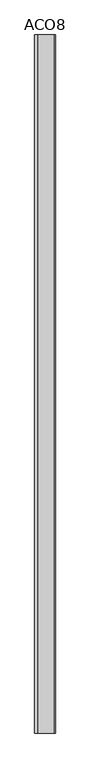
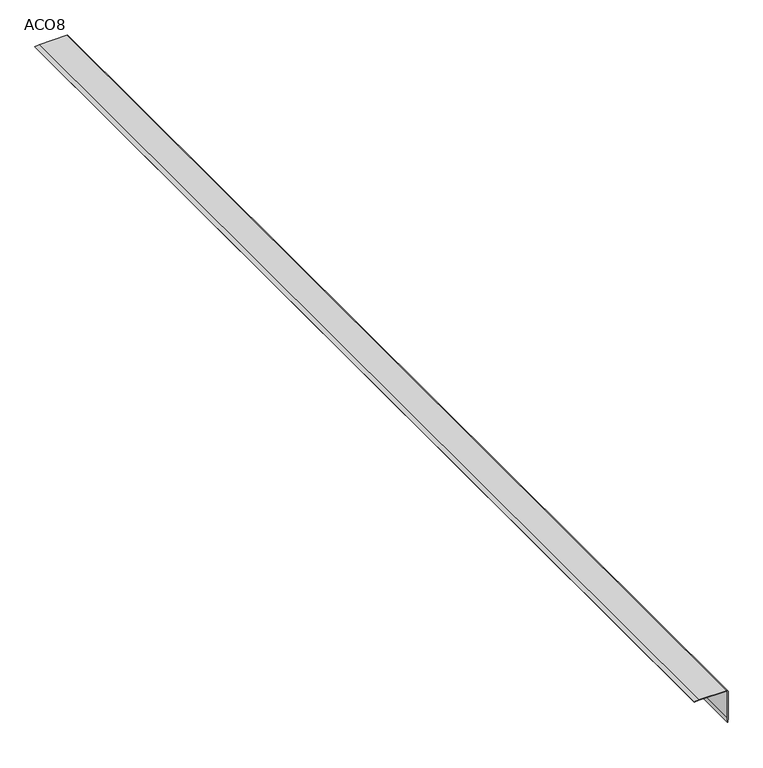
"""IFC4 building model written with IfcOpenShell, lengths in millimetres: proxy geometry, ACO8."""

from ifc_helpers import new_model, si_unit, point, frame, frame_2d, origin, place, context, project, spatial, polyline, circle_curve, trimmed, segment, composite_curve, outline, extrude, source, transform, mapped, element, save


def aco8_f2cf7ff6(model_context):
    return source(origin(), model_context, "Body", "SweptSolid", [
        extrude(outline(composite_curve([segment(polyline([(1.4260962, -86.6617021), (0.0, -86.4358307), (1.0724444, -75.3699147), (1.0724444, -2.032)]), True, "CONTINUOUS"), segment(trimmed(circle_curve(frame_2d((-2.1025554, -2.046111)), 3.1750312), [point((1.0724444, -2.032))], [point((-2.1166667, 1.1288889))], True, "CARTESIAN"), True, "CONTINUOUS"), segment(polyline([(-2.1166667, 1.1288889), (-75.3523732, 1.1288889), (-86.4178812, 0.0), (-86.6525541, 1.4816663), (-75.4088177, 2.6528889), (-2.1166667, 2.6528889)]), True, "CONTINUOUS"), segment(trimmed(circle_curve(frame_2d((-2.1025596, -2.0461152)), 4.6990253), [point((-2.1166667, 2.6528889))], [point((2.5964444, -2.032))], False, "CARTESIAN"), True, "CONTINUOUS"), segment(polyline([(2.5964444, -2.032), (2.5964444, -75.4263591), (1.4260962, -86.6617021)]), True, "CONTINUOUS")], self_intersect=False)), frame((0.0, -1141.4125, 0.0), z_axis=(0.0, 1.0, 0.0), x_axis=(0.0, 0.0, 1.0)), (0.0, 0.0, 1.0), 3021.0125),
    ])


if __name__ == "__main__":
    model = new_model("IFC4")
    model_context = context("Model", 3, world=origin())
    ifc_project = project(units=[si_unit("LENGTHUNIT", "METRE", prefix="MILLI")], contexts=[model_context])
    site = spatial("IfcSite", under=ifc_project)
    building = spatial("IfcBuilding", under=site)
    placement = place(None, origin())
    aco8_shape = aco8_f2cf7ff6(model_context)
    element("IfcBuildingElementProxy", 1, Name="ACO8", ObjectType="ACO8", at=placement, inside=building, context=model_context, shape_type="MappedRepresentation", body=[
        mapped(aco8_shape, transform((0.0, 0.0, 0.0), x_axis=(1.0, 0.0, 0.0), y_axis=(0.0, 1.0, 0.0), z_axis=(0.0, 0.0, 1.0))),
    ])
    save(model, "model.ifc")
